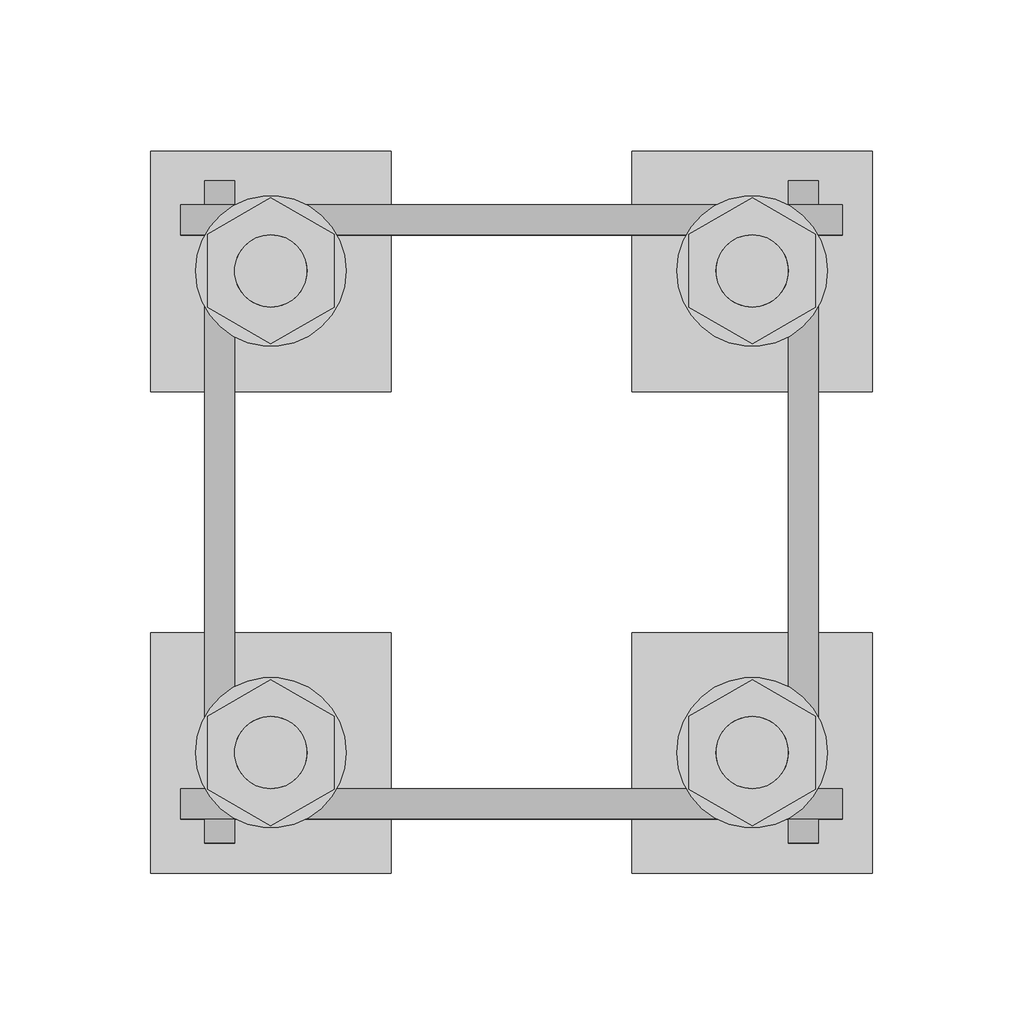
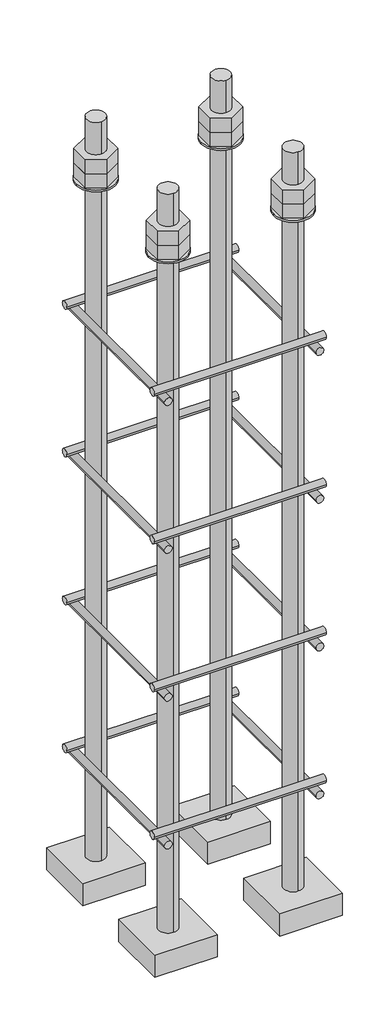
# One storey, part 1 of 66: 1 fastener.
"""IFC4 building model written with IfcOpenShell, lengths in millimetres."""

from ifc_helpers import new_model, si_unit, point, frame, frame_2d, origin, place, context, project, spatial, polyline, circle_curve, trimmed, segment, composite_curve, outline, extrude, element, save
from ifc_brep_helpers import plane_surface, cylinder_surface, advanced_brep

model = new_model("IFC4")

# Units and contexts
model_context = context("Model", 3, world=origin())
ifc_project = project(units=[si_unit("LENGTHUNIT", "METRE", prefix="MILLI")], contexts=[model_context])

# Site, building, storey
site = spatial("IfcSite", under=ifc_project)
building = spatial("IfcBuilding", under=site)
storey = spatial("IfcBuildingStorey", under=building, Elevation=9070.0)

# Fastener
placement = place(None, origin())
element("IfcFastener", 1, ObjectType="AU1 : AU-01", at=placement, inside=storey, context=model_context, shape_type="SolidModel", body=[
    extrude(outline(composite_curve([segment(trimmed(circle_curve(frame_2d((11343.0, 8395.0)), 5.0), [point((11338.0, 8395.0))], [point((11348.0, 8395.0))], False, "CARTESIAN"), True, "CONTINUOUS"), segment(trimmed(circle_curve(frame_2d((11343.0, 8395.0)), 5.0), [point((11348.0, 8395.0))], [point((11338.0, 8395.0))], False, "CARTESIAN"), True, "CONTINUOUS")], self_intersect=False)), frame((9890.0, 0.0, 0.0), z_axis=(1.0, 0.0, 0.0), x_axis=(0.0, 1.0, 0.0)), (0.0, 0.0, 1.0), 220.0),
    extrude(outline(composite_curve([segment(trimmed(circle_curve(frame_2d((11537.0, 8395.0)), 5.0), [point((11542.0, 8395.0))], [point((11532.0, 8395.0))], False, "CARTESIAN"), True, "CONTINUOUS"), segment(trimmed(circle_curve(frame_2d((11537.0, 8395.0)), 5.0), [point((11532.0, 8395.0))], [point((11542.0, 8395.0))], False, "CARTESIAN"), True, "CONTINUOUS")], self_intersect=False)), frame((9890.0, 0.0, 0.0), z_axis=(1.0, 0.0, 0.0), x_axis=(0.0, 1.0, 0.0)), (0.0, 0.0, 1.0), 220.0),
    extrude(outline(composite_curve([segment(trimmed(circle_curve(frame_2d((8385.0, 9903.0)), 5.0), [point((8385.0, 9898.0))], [point((8385.0, 9908.0))], False, "CARTESIAN"), True, "CONTINUOUS"), segment(trimmed(circle_curve(frame_2d((8385.0, 9903.0)), 5.0), [point((8385.0, 9908.0))], [point((8385.0, 9898.0))], False, "CARTESIAN"), True, "CONTINUOUS")], self_intersect=False)), frame((0.0, 11330.0, 0.0), z_axis=(0.0, 1.0, 0.0), x_axis=(0.0, 0.0, 1.0)), (0.0, 0.0, 1.0), 220.0),
    extrude(outline(composite_curve([segment(trimmed(circle_curve(frame_2d((8385.0, 10097.0)), 5.0), [point((8385.0, 10102.0))], [point((8385.0, 10092.0))], False, "CARTESIAN"), True, "CONTINUOUS"), segment(trimmed(circle_curve(frame_2d((8385.0, 10097.0)), 5.0), [point((8385.0, 10092.0))], [point((8385.0, 10102.0))], False, "CARTESIAN"), True, "CONTINUOUS")], self_intersect=False)), frame((0.0, 11330.0, 0.0), z_axis=(0.0, 1.0, 0.0), x_axis=(0.0, 0.0, 1.0)), (0.0, 0.0, 1.0), 220.0),
    extrude(outline(composite_curve([segment(trimmed(circle_curve(frame_2d((11343.0, 8595.0)), 5.0), [point((11338.0, 8595.0))], [point((11348.0, 8595.0))], False, "CARTESIAN"), True, "CONTINUOUS"), segment(trimmed(circle_curve(frame_2d((11343.0, 8595.0)), 5.0), [point((11348.0, 8595.0))], [point((11338.0, 8595.0))], False, "CARTESIAN"), True, "CONTINUOUS")], self_intersect=False)), frame((9890.0, 0.0, 0.0), z_axis=(1.0, 0.0, 0.0), x_axis=(0.0, 1.0, 0.0)), (0.0, 0.0, 1.0), 220.0),
    extrude(outline(composite_curve([segment(trimmed(circle_curve(frame_2d((11537.0, 8595.0)), 5.0), [point((11542.0, 8595.0))], [point((11532.0, 8595.0))], False, "CARTESIAN"), True, "CONTINUOUS"), segment(trimmed(circle_curve(frame_2d((11537.0, 8595.0)), 5.0), [point((11532.0, 8595.0))], [point((11542.0, 8595.0))], False, "CARTESIAN"), True, "CONTINUOUS")], self_intersect=False)), frame((9890.0, 0.0, 0.0), z_axis=(1.0, 0.0, 0.0), x_axis=(0.0, 1.0, 0.0)), (0.0, 0.0, 1.0), 220.0),
    extrude(outline(composite_curve([segment(trimmed(circle_curve(frame_2d((8585.0, 9903.0)), 5.0), [point((8585.0, 9898.0))], [point((8585.0, 9908.0))], False, "CARTESIAN"), True, "CONTINUOUS"), segment(trimmed(circle_curve(frame_2d((8585.0, 9903.0)), 5.0), [point((8585.0, 9908.0))], [point((8585.0, 9898.0))], False, "CARTESIAN"), True, "CONTINUOUS")], self_intersect=False)), frame((0.0, 11330.0, 0.0), z_axis=(0.0, 1.0, 0.0), x_axis=(0.0, 0.0, 1.0)), (0.0, 0.0, 1.0), 220.0),
    extrude(outline(composite_curve([segment(trimmed(circle_curve(frame_2d((8585.0, 10097.0)), 5.0), [point((8585.0, 10102.0))], [point((8585.0, 10092.0))], False, "CARTESIAN"), True, "CONTINUOUS"), segment(trimmed(circle_curve(frame_2d((8585.0, 10097.0)), 5.0), [point((8585.0, 10092.0))], [point((8585.0, 10102.0))], False, "CARTESIAN"), True, "CONTINUOUS")], self_intersect=False)), frame((0.0, 11330.0, 0.0), z_axis=(0.0, 1.0, 0.0), x_axis=(0.0, 0.0, 1.0)), (0.0, 0.0, 1.0), 220.0),
    extrude(outline(composite_curve([segment(trimmed(circle_curve(frame_2d((11343.0, 8795.0)), 5.0), [point((11338.0, 8795.0))], [point((11348.0, 8795.0))], False, "CARTESIAN"), True, "CONTINUOUS"), segment(trimmed(circle_curve(frame_2d((11343.0, 8795.0)), 5.0), [point((11348.0, 8795.0))], [point((11338.0, 8795.0))], False, "CARTESIAN"), True, "CONTINUOUS")], self_intersect=False)), frame((9890.0, 0.0, 0.0), z_axis=(1.0, 0.0, 0.0), x_axis=(0.0, 1.0, 0.0)), (0.0, 0.0, 1.0), 220.0),
    extrude(outline(composite_curve([segment(trimmed(circle_curve(frame_2d((11537.0, 8795.0)), 5.0), [point((11542.0, 8795.0))], [point((11532.0, 8795.0))], False, "CARTESIAN"), True, "CONTINUOUS"), segment(trimmed(circle_curve(frame_2d((11537.0, 8795.0)), 5.0), [point((11532.0, 8795.0))], [point((11542.0, 8795.0))], False, "CARTESIAN"), True, "CONTINUOUS")], self_intersect=False)), frame((9890.0, 0.0, 0.0), z_axis=(1.0, 0.0, 0.0), x_axis=(0.0, 1.0, 0.0)), (0.0, 0.0, 1.0), 220.0),
    extrude(outline(composite_curve([segment(trimmed(circle_curve(frame_2d((8785.0, 9903.0)), 5.0), [point((8785.0, 9898.0))], [point((8785.0, 9908.0))], False, "CARTESIAN"), True, "CONTINUOUS"), segment(trimmed(circle_curve(frame_2d((8785.0, 9903.0)), 5.0), [point((8785.0, 9908.0))], [point((8785.0, 9898.0))], False, "CARTESIAN"), True, "CONTINUOUS")], self_intersect=False)), frame((0.0, 11330.0, 0.0), z_axis=(0.0, 1.0, 0.0), x_axis=(0.0, 0.0, 1.0)), (0.0, 0.0, 1.0), 220.0),
    extrude(outline(composite_curve([segment(trimmed(circle_curve(frame_2d((8785.0, 10097.0)), 5.0), [point((8785.0, 10102.0))], [point((8785.0, 10092.0))], False, "CARTESIAN"), True, "CONTINUOUS"), segment(trimmed(circle_curve(frame_2d((8785.0, 10097.0)), 5.0), [point((8785.0, 10092.0))], [point((8785.0, 10102.0))], False, "CARTESIAN"), True, "CONTINUOUS")], self_intersect=False)), frame((0.0, 11330.0, 0.0), z_axis=(0.0, 1.0, 0.0), x_axis=(0.0, 0.0, 1.0)), (0.0, 0.0, 1.0), 220.0),
    extrude(outline(composite_curve([segment(trimmed(circle_curve(frame_2d((11343.0, 8995.0)), 5.0), [point((11338.0, 8995.0))], [point((11348.0, 8995.0))], False, "CARTESIAN"), True, "CONTINUOUS"), segment(trimmed(circle_curve(frame_2d((11343.0, 8995.0)), 5.0), [point((11348.0, 8995.0))], [point((11338.0, 8995.0))], False, "CARTESIAN"), True, "CONTINUOUS")], self_intersect=False)), frame((9890.0, 0.0, 0.0), z_axis=(1.0, 0.0, 0.0), x_axis=(0.0, 1.0, 0.0)), (0.0, 0.0, 1.0), 220.0),
    extrude(outline(composite_curve([segment(trimmed(circle_curve(frame_2d((11537.0, 8995.0)), 5.0), [point((11542.0, 8995.0))], [point((11532.0, 8995.0))], False, "CARTESIAN"), True, "CONTINUOUS"), segment(trimmed(circle_curve(frame_2d((11537.0, 8995.0)), 5.0), [point((11532.0, 8995.0))], [point((11542.0, 8995.0))], False, "CARTESIAN"), True, "CONTINUOUS")], self_intersect=False)), frame((9890.0, 0.0, 0.0), z_axis=(1.0, 0.0, 0.0), x_axis=(0.0, 1.0, 0.0)), (0.0, 0.0, 1.0), 220.0),
    extrude(outline(composite_curve([segment(trimmed(circle_curve(frame_2d((8985.0, 9903.0)), 5.0), [point((8985.0, 9898.0))], [point((8985.0, 9908.0))], False, "CARTESIAN"), True, "CONTINUOUS"), segment(trimmed(circle_curve(frame_2d((8985.0, 9903.0)), 5.0), [point((8985.0, 9908.0))], [point((8985.0, 9898.0))], False, "CARTESIAN"), True, "CONTINUOUS")], self_intersect=False)), frame((0.0, 11330.0, 0.0), z_axis=(0.0, 1.0, 0.0), x_axis=(0.0, 0.0, 1.0)), (0.0, 0.0, 1.0), 220.0),
    extrude(outline(composite_curve([segment(trimmed(circle_curve(frame_2d((8985.0, 10097.0)), 5.0), [point((8985.0, 10102.0))], [point((8985.0, 10092.0))], False, "CARTESIAN"), True, "CONTINUOUS"), segment(trimmed(circle_curve(frame_2d((8985.0, 10097.0)), 5.0), [point((8985.0, 10092.0))], [point((8985.0, 10102.0))], False, "CARTESIAN"), True, "CONTINUOUS")], self_intersect=False)), frame((0.0, 11330.0, 0.0), z_axis=(0.0, 1.0, 0.0), x_axis=(0.0, 0.0, 1.0)), (0.0, 0.0, 1.0), 220.0),
    advanced_brep(
    [(9960.0, 11560.0, 8250.0), (9880.0, 11560.0, 8250.0), (9880.0, 11480.0, 8250.0), (9960.0, 11480.0, 8250.0), (9920.0, 11508.0, 8250.0), (9920.0, 11532.0, 8250.0), (9960.0, 11560.0, 8220.0), (9960.0, 11480.0, 8220.0), (9880.0, 11480.0, 8220.0), (9880.0, 11560.0, 8220.0), (9920.0, 11532.0, 9250.0), (9920.0, 11508.0, 9250.0)],
    [
        (0, 1),
        (1, 2),
        (2, 3),
        (3, 0),
        (4, 5, circle_curve(frame((9920.0, 11520.0, 8250.0), z_axis=(0.0, 0.0, -1.0), x_axis=(0.0, -1.0, 0.0)), 12.0)),
        (5, 4, circle_curve(frame((9920.0, 11520.0, 8250.0), z_axis=(0.0, 0.0, -1.0), x_axis=(0.0, -1.0, 0.0)), 12.0)),
        (6, 7),
        (7, 8),
        (8, 9),
        (9, 6),
        (0, 6),
        (9, 1),
        (8, 2),
        (7, 3),
        (10, 11, circle_curve(frame((9920.0, 11520.0, 9250.0), z_axis=(0.0, 0.0, 1.0), x_axis=(0.0, -1.0, 0.0)), 12.0)),
        (11, 10, circle_curve(frame((9920.0, 11520.0, 9250.0), z_axis=(0.0, 0.0, 1.0), x_axis=(0.0, -1.0, 0.0)), 12.0)),
        (10, 5),
        (4, 11),
    ],
    [
        plane_surface(frame((9880.0, 11560.0, 8250.0), z_axis=(0.0, 0.0, 1.0), x_axis=(-1.0, 0.0, 0.0))),
        plane_surface(frame((9880.0, 11560.0, 8220.0), z_axis=(0.0, 0.0, -1.0), x_axis=(1.0, 0.0, 0.0))),
        plane_surface(frame((9960.0, 11560.0, 8250.0), z_axis=(0.0, 1.0, 0.0), x_axis=(0.0, 0.0, -1.0))),
        plane_surface(frame((9880.0, 11560.0, 8250.0), z_axis=(-1.0, 0.0, 0.0), x_axis=(0.0, 0.0, -1.0))),
        plane_surface(frame((9880.0, 11480.0, 8250.0), z_axis=(0.0, -1.0, 0.0), x_axis=(0.0, 0.0, -1.0))),
        plane_surface(frame((9960.0, 11480.0, 8250.0), z_axis=(1.0, 0.0, 0.0), x_axis=(0.0, 0.0, -1.0))),
        plane_surface(frame((9920.0, 11520.0, 9250.0), z_axis=(0.0, 0.0, 1.0), x_axis=(0.0, -1.0, 0.0))),
        cylinder_surface(frame((9920.0, 11520.0, 9250.0), z_axis=(0.0, 0.0, 1.0), x_axis=(0.0, -1.0, 0.0)), 12.0),
    ],
    [
        (0, [[1, 2, 3, 4], [5, 6]]),
        (1, [[7, 8, 9, 10]]),
        (2, [[-1, 11, -10, 12]]),
        (3, [[-2, -12, -9, 13]]),
        (4, [[-3, -13, -8, 14]]),
        (5, [[-4, -14, -7, -11]]),
        (6, [[15, 16]]),
        (7, [[-15, 17, -5, 18]]),
        (7, [[-16, -18, -6, -17]]),
    ],
),
    extrude(outline(composite_curve([segment(trimmed(circle_curve(frame_2d((9920.0, 11520.0)), 25.0), [point((9945.0, 11520.0))], [point((9895.0, 11520.0))], False, "CARTESIAN"), True, "CONTINUOUS"), segment(trimmed(circle_curve(frame_2d((9920.0, 11520.0)), 25.0), [point((9895.0, 11520.0))], [point((9945.0, 11520.0))], False, "CARTESIAN"), True, "CONTINUOUS")], self_intersect=False), holes=[composite_curve([segment(trimmed(circle_curve(frame_2d((9920.0, 11520.0)), 12.0), [point((9932.0, 11520.0))], [point((9908.0, 11520.0))], True, "CARTESIAN"), True, "CONTINUOUS"), segment(trimmed(circle_curve(frame_2d((9920.0, 11520.0)), 12.0), [point((9908.0, 11520.0))], [point((9932.0, 11520.0))], True, "CARTESIAN"), True, "CONTINUOUS")], self_intersect=False)]), frame((0.0, 0.0, 9165.0), z_axis=(0.0, 0.0, 1.0), x_axis=(1.0, 0.0, 0.0)), (0.0, 0.0, 1.0), 2.5),
    extrude(outline(polyline([(9920.0, 11544.2487113), (9941.0, 11532.1243557), (9941.0, 11507.8756443), (9920.0, 11495.7512887), (9899.0, 11507.8756443), (9899.0, 11532.1243557), (9920.0, 11544.2487113)]), holes=[composite_curve([segment(trimmed(circle_curve(frame_2d((9920.0, 11520.0)), 12.0), [point((9932.0, 11520.0))], [point((9908.0, 11520.0))], True, "CARTESIAN"), True, "CONTINUOUS"), segment(trimmed(circle_curve(frame_2d((9920.0, 11520.0)), 12.0), [point((9908.0, 11520.0))], [point((9932.0, 11520.0))], True, "CARTESIAN"), True, "CONTINUOUS")], self_intersect=False)]), frame((0.0, 0.0, 9187.0), z_axis=(0.0, 0.0, 1.0), x_axis=(1.0, 0.0, 0.0)), (0.0, 0.0, 1.0), 19.5),
    extrude(outline(polyline([(9920.0, 11544.2487113), (9941.0, 11532.1243557), (9941.0, 11507.8756443), (9920.0, 11495.7512887), (9899.0, 11507.8756443), (9899.0, 11532.1243557), (9920.0, 11544.2487113)]), holes=[composite_curve([segment(trimmed(circle_curve(frame_2d((9920.0, 11520.0)), 12.0), [point((9932.0, 11520.0))], [point((9908.0, 11520.0))], True, "CARTESIAN"), True, "CONTINUOUS"), segment(trimmed(circle_curve(frame_2d((9920.0, 11520.0)), 12.0), [point((9908.0, 11520.0))], [point((9932.0, 11520.0))], True, "CARTESIAN"), True, "CONTINUOUS")], self_intersect=False)]), frame((0.0, 0.0, 9167.5), z_axis=(0.0, 0.0, 1.0), x_axis=(1.0, 0.0, 0.0)), (0.0, 0.0, 1.0), 19.5),
    advanced_brep(
    [(10040.0, 11480.0, 8250.0), (10120.0, 11480.0, 8250.0), (10120.0, 11560.0, 8250.0), (10040.0, 11560.0, 8250.0), (10080.0, 11532.0, 8250.0), (10080.0, 11508.0, 8250.0), (10040.0, 11480.0, 8220.0), (10040.0, 11560.0, 8220.0), (10120.0, 11560.0, 8220.0), (10120.0, 11480.0, 8220.0), (10080.0, 11508.0, 9250.0), (10080.0, 11532.0, 9250.0)],
    [
        (0, 1),
        (1, 2),
        (2, 3),
        (3, 0),
        (4, 5, circle_curve(frame((10080.0, 11520.0, 8250.0), z_axis=(0.0, 0.0, -1.0), x_axis=(0.0, 1.0, 0.0)), 12.0)),
        (5, 4, circle_curve(frame((10080.0, 11520.0, 8250.0), z_axis=(0.0, 0.0, -1.0), x_axis=(0.0, 1.0, 0.0)), 12.0)),
        (6, 7),
        (7, 8),
        (8, 9),
        (9, 6),
        (0, 6),
        (9, 1),
        (8, 2),
        (7, 3),
        (10, 11, circle_curve(frame((10080.0, 11520.0, 9250.0), z_axis=(0.0, 0.0, 1.0), x_axis=(0.0, 1.0, 0.0)), 12.0)),
        (11, 10, circle_curve(frame((10080.0, 11520.0, 9250.0), z_axis=(0.0, 0.0, 1.0), x_axis=(0.0, 1.0, 0.0)), 12.0)),
        (10, 5),
        (4, 11),
    ],
    [
        plane_surface(frame((10120.0, 11480.0, 8250.0), z_axis=(0.0, 0.0, 1.0), x_axis=(1.0, 0.0, 0.0))),
        plane_surface(frame((10120.0, 11480.0, 8220.0), z_axis=(0.0, 0.0, -1.0), x_axis=(-1.0, 0.0, 0.0))),
        plane_surface(frame((10040.0, 11480.0, 8250.0), z_axis=(0.0, -1.0, 0.0), x_axis=(0.0, 0.0, -1.0))),
        plane_surface(frame((10120.0, 11480.0, 8250.0), z_axis=(1.0, 0.0, 0.0), x_axis=(0.0, 0.0, -1.0))),
        plane_surface(frame((10120.0, 11560.0, 8250.0), z_axis=(0.0, 1.0, 0.0), x_axis=(0.0, 0.0, -1.0))),
        plane_surface(frame((10040.0, 11560.0, 8250.0), z_axis=(-1.0, 0.0, 0.0), x_axis=(0.0, 0.0, -1.0))),
        plane_surface(frame((10080.0, 11520.0, 9250.0), z_axis=(0.0, 0.0, 1.0), x_axis=(0.0, 1.0, 0.0))),
        cylinder_surface(frame((10080.0, 11520.0, 9250.0), z_axis=(0.0, 0.0, 1.0), x_axis=(0.0, 1.0, 0.0)), 12.0),
    ],
    [
        (0, [[1, 2, 3, 4], [5, 6]]),
        (1, [[7, 8, 9, 10]]),
        (2, [[-1, 11, -10, 12]]),
        (3, [[-2, -12, -9, 13]]),
        (4, [[-3, -13, -8, 14]]),
        (5, [[-4, -14, -7, -11]]),
        (6, [[15, 16]]),
        (7, [[-15, 17, -5, 18]]),
        (7, [[-16, -18, -6, -17]]),
    ],
),
    extrude(outline(composite_curve([segment(trimmed(circle_curve(frame_2d((10080.0, 11520.0)), 25.0), [point((10055.0, 11520.0))], [point((10105.0, 11520.0))], False, "CARTESIAN"), True, "CONTINUOUS"), segment(trimmed(circle_curve(frame_2d((10080.0, 11520.0)), 25.0), [point((10105.0, 11520.0))], [point((10055.0, 11520.0))], False, "CARTESIAN"), True, "CONTINUOUS")], self_intersect=False), holes=[composite_curve([segment(trimmed(circle_curve(frame_2d((10080.0, 11520.0)), 12.0), [point((10068.0, 11520.0))], [point((10092.0, 11520.0))], True, "CARTESIAN"), True, "CONTINUOUS"), segment(trimmed(circle_curve(frame_2d((10080.0, 11520.0)), 12.0), [point((10092.0, 11520.0))], [point((10068.0, 11520.0))], True, "CARTESIAN"), True, "CONTINUOUS")], self_intersect=False)]), frame((0.0, 0.0, 9165.0), z_axis=(0.0, 0.0, 1.0), x_axis=(1.0, 0.0, 0.0)), (0.0, 0.0, 1.0), 2.5),
    extrude(outline(polyline([(10080.0, 11495.7512887), (10059.0, 11507.8756443), (10059.0, 11532.1243557), (10080.0, 11544.2487113), (10101.0, 11532.1243557), (10101.0, 11507.8756443), (10080.0, 11495.7512887)]), holes=[composite_curve([segment(trimmed(circle_curve(frame_2d((10080.0, 11520.0)), 12.0), [point((10068.0, 11520.0))], [point((10092.0, 11520.0))], True, "CARTESIAN"), True, "CONTINUOUS"), segment(trimmed(circle_curve(frame_2d((10080.0, 11520.0)), 12.0), [point((10092.0, 11520.0))], [point((10068.0, 11520.0))], True, "CARTESIAN"), True, "CONTINUOUS")], self_intersect=False)]), frame((0.0, 0.0, 9187.0), z_axis=(0.0, 0.0, 1.0), x_axis=(1.0, 0.0, 0.0)), (0.0, 0.0, 1.0), 19.5),
    extrude(outline(polyline([(10080.0, 11495.7512887), (10059.0, 11507.8756443), (10059.0, 11532.1243557), (10080.0, 11544.2487113), (10101.0, 11532.1243557), (10101.0, 11507.8756443), (10080.0, 11495.7512887)]), holes=[composite_curve([segment(trimmed(circle_curve(frame_2d((10080.0, 11520.0)), 12.0), [point((10068.0, 11520.0))], [point((10092.0, 11520.0))], True, "CARTESIAN"), True, "CONTINUOUS"), segment(trimmed(circle_curve(frame_2d((10080.0, 11520.0)), 12.0), [point((10092.0, 11520.0))], [point((10068.0, 11520.0))], True, "CARTESIAN"), True, "CONTINUOUS")], self_intersect=False)]), frame((0.0, 0.0, 9167.5), z_axis=(0.0, 0.0, 1.0), x_axis=(1.0, 0.0, 0.0)), (0.0, 0.0, 1.0), 19.5),
    advanced_brep(
    [(10040.0, 11320.0, 8250.0), (10120.0, 11320.0, 8250.0), (10120.0, 11400.0, 8250.0), (10040.0, 11400.0, 8250.0), (10080.0, 11372.0, 8250.0), (10080.0, 11348.0, 8250.0), (10040.0, 11320.0, 8220.0), (10040.0, 11400.0, 8220.0), (10120.0, 11400.0, 8220.0), (10120.0, 11320.0, 8220.0), (10080.0, 11348.0, 9250.0), (10080.0, 11372.0, 9250.0)],
    [
        (0, 1),
        (1, 2),
        (2, 3),
        (3, 0),
        (4, 5, circle_curve(frame((10080.0, 11360.0, 8250.0), z_axis=(0.0, 0.0, -1.0), x_axis=(0.0, 1.0, 0.0)), 12.0)),
        (5, 4, circle_curve(frame((10080.0, 11360.0, 8250.0), z_axis=(0.0, 0.0, -1.0), x_axis=(0.0, 1.0, 0.0)), 12.0)),
        (6, 7),
        (7, 8),
        (8, 9),
        (9, 6),
        (0, 6),
        (9, 1),
        (8, 2),
        (7, 3),
        (10, 11, circle_curve(frame((10080.0, 11360.0, 9250.0), z_axis=(0.0, 0.0, 1.0), x_axis=(0.0, 1.0, 0.0)), 12.0)),
        (11, 10, circle_curve(frame((10080.0, 11360.0, 9250.0), z_axis=(0.0, 0.0, 1.0), x_axis=(0.0, 1.0, 0.0)), 12.0)),
        (10, 5),
        (4, 11),
    ],
    [
        plane_surface(frame((10120.0, 11320.0, 8250.0), z_axis=(0.0, 0.0, 1.0), x_axis=(1.0, 0.0, 0.0))),
        plane_surface(frame((10120.0, 11320.0, 8220.0), z_axis=(0.0, 0.0, -1.0), x_axis=(-1.0, 0.0, 0.0))),
        plane_surface(frame((10040.0, 11320.0, 8250.0), z_axis=(0.0, -1.0, 0.0), x_axis=(0.0, 0.0, -1.0))),
        plane_surface(frame((10120.0, 11320.0, 8250.0), z_axis=(1.0, 0.0, 0.0), x_axis=(0.0, 0.0, -1.0))),
        plane_surface(frame((10120.0, 11400.0, 8250.0), z_axis=(0.0, 1.0, 0.0), x_axis=(0.0, 0.0, -1.0))),
        plane_surface(frame((10040.0, 11400.0, 8250.0), z_axis=(-1.0, 0.0, 0.0), x_axis=(0.0, 0.0, -1.0))),
        plane_surface(frame((10080.0, 11360.0, 9250.0), z_axis=(0.0, 0.0, 1.0), x_axis=(0.0, 1.0, 0.0))),
        cylinder_surface(frame((10080.0, 11360.0, 9250.0), z_axis=(0.0, 0.0, 1.0), x_axis=(0.0, 1.0, 0.0)), 12.0),
    ],
    [
        (0, [[1, 2, 3, 4], [5, 6]]),
        (1, [[7, 8, 9, 10]]),
        (2, [[-1, 11, -10, 12]]),
        (3, [[-2, -12, -9, 13]]),
        (4, [[-3, -13, -8, 14]]),
        (5, [[-4, -14, -7, -11]]),
        (6, [[15, 16]]),
        (7, [[-15, 17, -5, 18]]),
        (7, [[-16, -18, -6, -17]]),
    ],
),
    extrude(outline(composite_curve([segment(trimmed(circle_curve(frame_2d((10080.0, 11360.0)), 25.0), [point((10055.0, 11360.0))], [point((10105.0, 11360.0))], False, "CARTESIAN"), True, "CONTINUOUS"), segment(trimmed(circle_curve(frame_2d((10080.0, 11360.0)), 25.0), [point((10105.0, 11360.0))], [point((10055.0, 11360.0))], False, "CARTESIAN"), True, "CONTINUOUS")], self_intersect=False), holes=[composite_curve([segment(trimmed(circle_curve(frame_2d((10080.0, 11360.0)), 12.0), [point((10068.0, 11360.0))], [point((10092.0, 11360.0))], True, "CARTESIAN"), True, "CONTINUOUS"), segment(trimmed(circle_curve(frame_2d((10080.0, 11360.0)), 12.0), [point((10092.0, 11360.0))], [point((10068.0, 11360.0))], True, "CARTESIAN"), True, "CONTINUOUS")], self_intersect=False)]), frame((0.0, 0.0, 9165.0), z_axis=(0.0, 0.0, 1.0), x_axis=(1.0, 0.0, 0.0)), (0.0, 0.0, 1.0), 2.5),
    extrude(outline(polyline([(10080.0, 11335.7512887), (10059.0, 11347.8756443), (10059.0, 11372.1243557), (10080.0, 11384.2487113), (10101.0, 11372.1243557), (10101.0, 11347.8756443), (10080.0, 11335.7512887)]), holes=[composite_curve([segment(trimmed(circle_curve(frame_2d((10080.0, 11360.0)), 12.0), [point((10068.0, 11360.0))], [point((10092.0, 11360.0))], True, "CARTESIAN"), True, "CONTINUOUS"), segment(trimmed(circle_curve(frame_2d((10080.0, 11360.0)), 12.0), [point((10092.0, 11360.0))], [point((10068.0, 11360.0))], True, "CARTESIAN"), True, "CONTINUOUS")], self_intersect=False)]), frame((0.0, 0.0, 9187.0), z_axis=(0.0, 0.0, 1.0), x_axis=(1.0, 0.0, 0.0)), (0.0, 0.0, 1.0), 19.5),
    extrude(outline(polyline([(10080.0, 11335.7512887), (10059.0, 11347.8756443), (10059.0, 11372.1243557), (10080.0, 11384.2487113), (10101.0, 11372.1243557), (10101.0, 11347.8756443), (10080.0, 11335.7512887)]), holes=[composite_curve([segment(trimmed(circle_curve(frame_2d((10080.0, 11360.0)), 12.0), [point((10068.0, 11360.0))], [point((10092.0, 11360.0))], True, "CARTESIAN"), True, "CONTINUOUS"), segment(trimmed(circle_curve(frame_2d((10080.0, 11360.0)), 12.0), [point((10092.0, 11360.0))], [point((10068.0, 11360.0))], True, "CARTESIAN"), True, "CONTINUOUS")], self_intersect=False)]), frame((0.0, 0.0, 9167.5), z_axis=(0.0, 0.0, 1.0), x_axis=(1.0, 0.0, 0.0)), (0.0, 0.0, 1.0), 19.5),
    advanced_brep(
    [(9960.0, 11400.0, 8250.0), (9880.0, 11400.0, 8250.0), (9880.0, 11320.0, 8250.0), (9960.0, 11320.0, 8250.0), (9920.0, 11348.0, 8250.0), (9920.0, 11372.0, 8250.0), (9960.0, 11400.0, 8220.0), (9960.0, 11320.0, 8220.0), (9880.0, 11320.0, 8220.0), (9880.0, 11400.0, 8220.0), (9920.0, 11372.0, 9250.0), (9920.0, 11348.0, 9250.0)],
    [
        (0, 1),
        (1, 2),
        (2, 3),
        (3, 0),
        (4, 5, circle_curve(frame((9920.0, 11360.0, 8250.0), z_axis=(0.0, 0.0, -1.0), x_axis=(0.0, -1.0, 0.0)), 12.0)),
        (5, 4, circle_curve(frame((9920.0, 11360.0, 8250.0), z_axis=(0.0, 0.0, -1.0), x_axis=(0.0, -1.0, 0.0)), 12.0)),
        (6, 7),
        (7, 8),
        (8, 9),
        (9, 6),
        (0, 6),
        (9, 1),
        (8, 2),
        (7, 3),
        (10, 11, circle_curve(frame((9920.0, 11360.0, 9250.0), z_axis=(0.0, 0.0, 1.0), x_axis=(0.0, -1.0, 0.0)), 12.0)),
        (11, 10, circle_curve(frame((9920.0, 11360.0, 9250.0), z_axis=(0.0, 0.0, 1.0), x_axis=(0.0, -1.0, 0.0)), 12.0)),
        (10, 5),
        (4, 11),
    ],
    [
        plane_surface(frame((9880.0, 11400.0, 8250.0), z_axis=(0.0, 0.0, 1.0), x_axis=(-1.0, 0.0, 0.0))),
        plane_surface(frame((9880.0, 11400.0, 8220.0), z_axis=(0.0, 0.0, -1.0), x_axis=(1.0, 0.0, 0.0))),
        plane_surface(frame((9960.0, 11400.0, 8250.0), z_axis=(0.0, 1.0, 0.0), x_axis=(0.0, 0.0, -1.0))),
        plane_surface(frame((9880.0, 11400.0, 8250.0), z_axis=(-1.0, 0.0, 0.0), x_axis=(0.0, 0.0, -1.0))),
        plane_surface(frame((9880.0, 11320.0, 8250.0), z_axis=(0.0, -1.0, 0.0), x_axis=(0.0, 0.0, -1.0))),
        plane_surface(frame((9960.0, 11320.0, 8250.0), z_axis=(1.0, 0.0, 0.0), x_axis=(0.0, 0.0, -1.0))),
        plane_surface(frame((9920.0, 11360.0, 9250.0), z_axis=(0.0, 0.0, 1.0), x_axis=(0.0, -1.0, 0.0))),
        cylinder_surface(frame((9920.0, 11360.0, 9250.0), z_axis=(0.0, 0.0, 1.0), x_axis=(0.0, -1.0, 0.0)), 12.0),
    ],
    [
        (0, [[1, 2, 3, 4], [5, 6]]),
        (1, [[7, 8, 9, 10]]),
        (2, [[-1, 11, -10, 12]]),
        (3, [[-2, -12, -9, 13]]),
        (4, [[-3, -13, -8, 14]]),
        (5, [[-4, -14, -7, -11]]),
        (6, [[15, 16]]),
        (7, [[-15, 17, -5, 18]]),
        (7, [[-16, -18, -6, -17]]),
    ],
),
    extrude(outline(composite_curve([segment(trimmed(circle_curve(frame_2d((9920.0, 11360.0)), 25.0), [point((9945.0, 11360.0))], [point((9895.0, 11360.0))], False, "CARTESIAN"), True, "CONTINUOUS"), segment(trimmed(circle_curve(frame_2d((9920.0, 11360.0)), 25.0), [point((9895.0, 11360.0))], [point((9945.0, 11360.0))], False, "CARTESIAN"), True, "CONTINUOUS")], self_intersect=False), holes=[composite_curve([segment(trimmed(circle_curve(frame_2d((9920.0, 11360.0)), 12.0), [point((9932.0, 11360.0))], [point((9908.0, 11360.0))], True, "CARTESIAN"), True, "CONTINUOUS"), segment(trimmed(circle_curve(frame_2d((9920.0, 11360.0)), 12.0), [point((9908.0, 11360.0))], [point((9932.0, 11360.0))], True, "CARTESIAN"), True, "CONTINUOUS")], self_intersect=False)]), frame((0.0, 0.0, 9165.0), z_axis=(0.0, 0.0, 1.0), x_axis=(1.0, 0.0, 0.0)), (0.0, 0.0, 1.0), 2.5),
    extrude(outline(polyline([(9920.0, 11384.2487113), (9941.0, 11372.1243557), (9941.0, 11347.8756443), (9920.0, 11335.7512887), (9899.0, 11347.8756443), (9899.0, 11372.1243557), (9920.0, 11384.2487113)]), holes=[composite_curve([segment(trimmed(circle_curve(frame_2d((9920.0, 11360.0)), 12.0), [point((9932.0, 11360.0))], [point((9908.0, 11360.0))], True, "CARTESIAN"), True, "CONTINUOUS"), segment(trimmed(circle_curve(frame_2d((9920.0, 11360.0)), 12.0), [point((9908.0, 11360.0))], [point((9932.0, 11360.0))], True, "CARTESIAN"), True, "CONTINUOUS")], self_intersect=False)]), frame((0.0, 0.0, 9187.0), z_axis=(0.0, 0.0, 1.0), x_axis=(1.0, 0.0, 0.0)), (0.0, 0.0, 1.0), 19.5),
    extrude(outline(polyline([(9920.0, 11384.2487113), (9941.0, 11372.1243557), (9941.0, 11347.8756443), (9920.0, 11335.7512887), (9899.0, 11347.8756443), (9899.0, 11372.1243557), (9920.0, 11384.2487113)]), holes=[composite_curve([segment(trimmed(circle_curve(frame_2d((9920.0, 11360.0)), 12.0), [point((9932.0, 11360.0))], [point((9908.0, 11360.0))], True, "CARTESIAN"), True, "CONTINUOUS"), segment(trimmed(circle_curve(frame_2d((9920.0, 11360.0)), 12.0), [point((9908.0, 11360.0))], [point((9932.0, 11360.0))], True, "CARTESIAN"), True, "CONTINUOUS")], self_intersect=False)]), frame((0.0, 0.0, 9167.5), z_axis=(0.0, 0.0, 1.0), x_axis=(1.0, 0.0, 0.0)), (0.0, 0.0, 1.0), 19.5),
])

save(model, "model.ifc")
